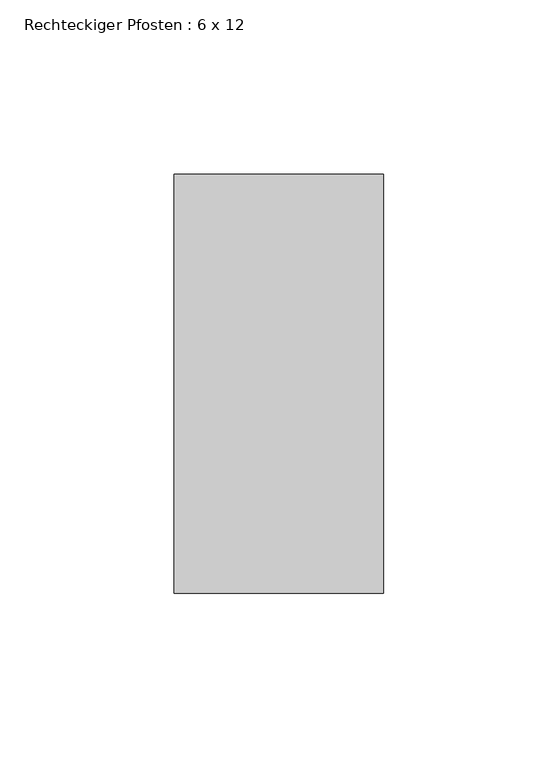
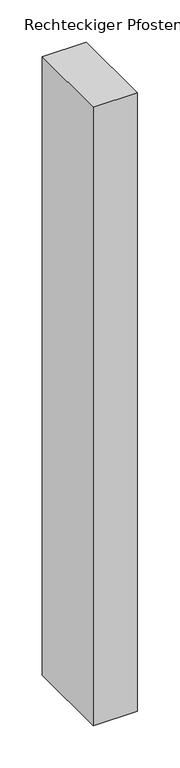
"""IFC4 building model written with IfcOpenShell, lengths in millimetres: member geometry, Rechteckiger Pfosten : 6 x 12."""

from ifc_helpers import new_model, si_unit, frame, origin, place, context, project, spatial, polyline, outline, extrude, source, transform, mapped, element, save


def rechteckiger_pfosten_6_x_12_03ac9f5a(model_context):
    return source(origin(), model_context, "Body", "SweptSolid", [
        extrude(outline(polyline([(0.0, 60.0), (0.0, -60.0), (-60.0, -60.0), (-60.0, 60.0), (0.0, 60.0)])), frame((0.0, 0.0, -890.420376), z_axis=(0.0, 0.0, 1.0), x_axis=(1.0, 0.0, 0.0)), (0.0, 0.0, 1.0), 890.420376),
    ])


if __name__ == "__main__":
    model = new_model("IFC4")
    model_context = context("Model", 3, world=origin())
    ifc_project = project(units=[si_unit("LENGTHUNIT", "METRE", prefix="MILLI")], contexts=[model_context])
    site = spatial("IfcSite", under=ifc_project)
    building = spatial("IfcBuilding", under=site)
    placement = place(None, origin())
    rechteckiger_pfosten_6_x_12_shape = rechteckiger_pfosten_6_x_12_03ac9f5a(model_context)
    element("IfcMember", 1, ObjectType="Rechteckiger Pfosten : 6 x 12", at=placement, inside=building, context=model_context, shape_type="MappedRepresentation", body=[
        mapped(rechteckiger_pfosten_6_x_12_shape, transform((0.0, 0.0, 0.0), x_axis=(1.0, 0.0, 0.0), y_axis=(0.0, 1.0, 0.0), z_axis=(0.0, 0.0, 1.0))),
    ])
    save(model, "model.ifc")
